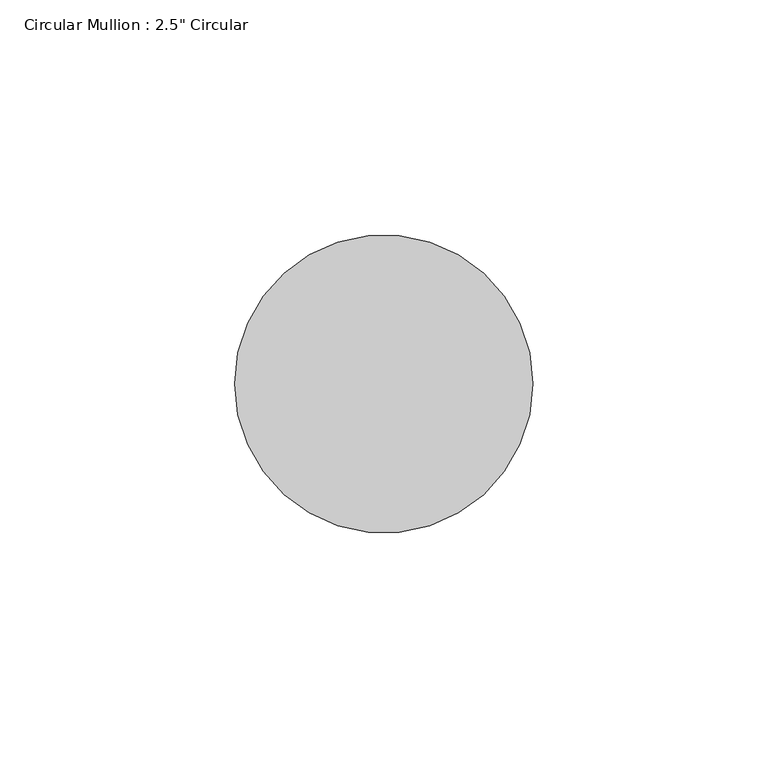
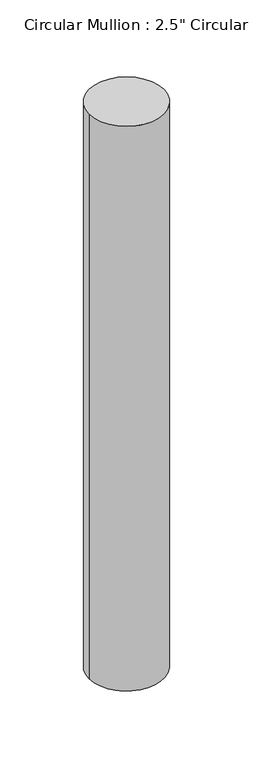
"""IFC4 building model written with IfcOpenShell, lengths in millimetres: member geometry."""

from ifc_helpers import new_model, si_unit, point, frame, frame_2d, origin, place, context, project, spatial, circle_curve, trimmed, segment, composite_curve, outline, extrude, source, transform, mapped, element, save


def member_8691b120(model_context):
    return source(origin(), model_context, "Body", "SweptSolid", [
        extrude(outline(composite_curve([segment(trimmed(circle_curve(frame_2d((-31.75, 0.0)), 31.75), [point((0.0, 0.0))], [point((-63.5, 0.0))], False, "CARTESIAN"), True, "CONTINUOUS"), segment(trimmed(circle_curve(frame_2d((-31.75, 0.0)), 31.75), [point((-63.5, 0.0))], [point((0.0, 0.0))], False, "CARTESIAN"), True, "CONTINUOUS")], self_intersect=False)), frame((0.0, 0.0, -508.0), z_axis=(0.0, 0.0, 1.0), x_axis=(1.0, 0.0, 0.0)), (0.0, 0.0, 1.0), 508.0),
    ])


if __name__ == "__main__":
    model = new_model("IFC4")
    model_context = context("Model", 3, world=origin())
    ifc_project = project(units=[si_unit("LENGTHUNIT", "METRE", prefix="MILLI")], contexts=[model_context])
    site = spatial("IfcSite", under=ifc_project)
    building = spatial("IfcBuilding", under=site)
    placement = place(None, origin())
    member_shape = member_8691b120(model_context)
    element("IfcMember", 1, ObjectType="Circular Mullion : 2.5\" Circular", at=placement, inside=building, context=model_context, shape_type="MappedRepresentation", body=[
        mapped(member_shape, transform((0.0, 0.0, 0.0), x_axis=(1.0, 0.0, 0.0), y_axis=(0.0, 1.0, 0.0), z_axis=(0.0, 0.0, 1.0))),
    ])
    save(model, "model.ifc")
